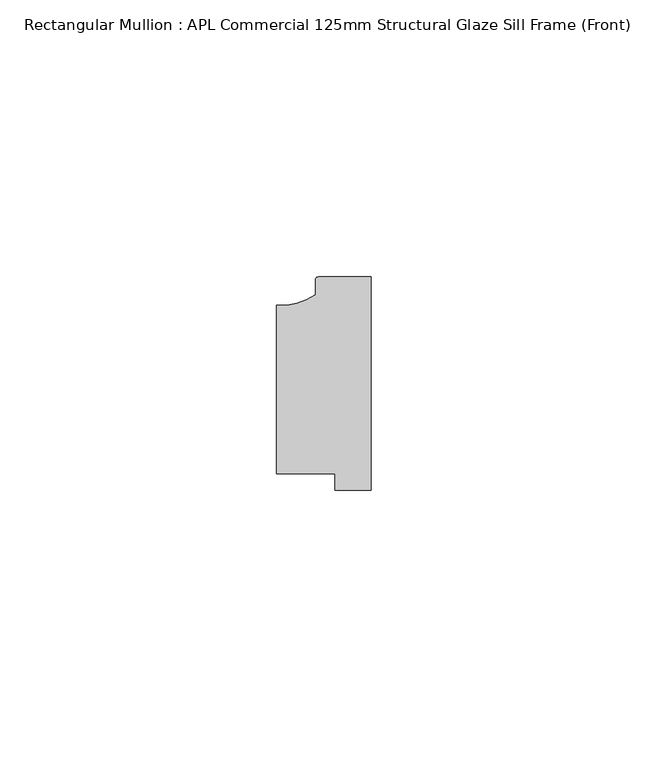
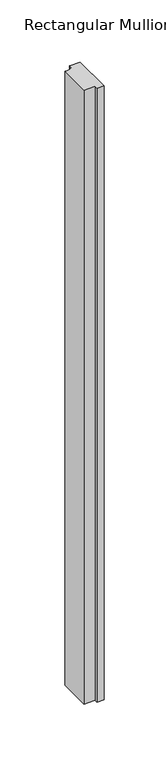
"""IFC4 building model written with IfcOpenShell, lengths in millimetres: member geometry, Rectangular Mullion : APL Commercial 125mm Structural Glaze Sill Frame (Front)."""

from ifc_helpers import new_model, si_unit, point, frame, frame_2d, origin, place, context, project, spatial, polyline, circle_curve, trimmed, segment, composite_curve, outline, extrude, source, transform, mapped, element, save


def rectangular_mullion_apl_commercial_125mm_structural_glaze_48ea71e6(model_context):
    return source(origin(), model_context, "Body", "SweptSolid", [
        extrude(outline(composite_curve([segment(trimmed(circle_curve(frame_2d((-16.1098048, 25.7977481)), 10.4563907), [point((-16.999942, 15.3793144))], [point((-10.0, 17.3120901))], True, "CARTESIAN"), True, "CONTINUOUS"), segment(polyline([(-10.0, 17.3120901), (-10.0, 19.9980675)]), True, "CONTINUOUS"), segment(trimmed(circle_curve(frame_2d((-9.5000029, 19.99978)), 0.5), [point((-10.0, 19.9980675))], [point((-9.5000029, 20.49978))], False, "CARTESIAN"), True, "CONTINUOUS"), segment(polyline([(-9.5000029, 20.49978), (0.0, 20.49978), (0.0, -18.0281616), (-6.5000029, -18.0281616), (-6.5000029, -15.0004332), (-16.999942, -15.0004332), (-16.999942, 15.3793144)]), True, "CONTINUOUS")], self_intersect=False)), frame((0.0, 0.0, -603.2001827), z_axis=(0.0, 0.0, 1.0), x_axis=(1.0, 0.0, 0.0)), (0.0, 0.0, 1.0), 603.2001827),
    ])


if __name__ == "__main__":
    model = new_model("IFC4")
    model_context = context("Model", 3, world=origin())
    ifc_project = project(units=[si_unit("LENGTHUNIT", "METRE", prefix="MILLI")], contexts=[model_context])
    site = spatial("IfcSite", under=ifc_project)
    building = spatial("IfcBuilding", under=site)
    placement = place(None, origin())
    rectangular_mullion_apl_commercial_125mm_structural_glaze_shape = rectangular_mullion_apl_commercial_125mm_structural_glaze_48ea71e6(model_context)
    element("IfcMember", 1, ObjectType="Rectangular Mullion : APL Commercial 125mm Structural Glaze Sill Frame (Front)", at=placement, inside=building, context=model_context, shape_type="MappedRepresentation", body=[
        mapped(rectangular_mullion_apl_commercial_125mm_structural_glaze_shape, transform((0.0, 0.0, 0.0), x_axis=(1.0, 0.0, 0.0), y_axis=(0.0, 1.0, 0.0), z_axis=(0.0, 0.0, 1.0))),
    ])
    save(model, "model.ifc")
